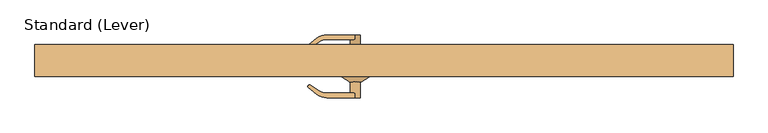
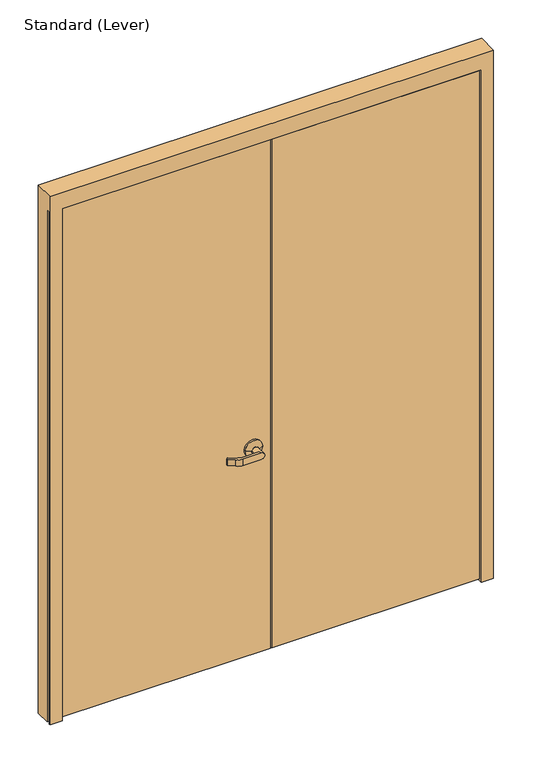
"""IFC4 building model written with IfcOpenShell, lengths in millimetres: door geometry, Standard (Lever)."""

from ifc_helpers import new_model, si_unit, frame, origin, place, context, project, spatial, polyline, circle_curve, outline, extrude, faceted_brep, source, transform, mapped, element, save
from ifc_brep_helpers import plane_surface, cylinder_surface, revolved_surface, advanced_brep


def standard_lever_29b585a3(model_context):
    return source(origin(), model_context, "Body", "SolidModel", [
        advanced_brep(
        [(-41.275, -38.1, 965.2), (-117.475, -38.1, 965.2), (-41.275, -46.0375, 965.2), (-117.475, -46.0375, 965.2), (-65.0875, -103.1875, 965.2), (-79.375, -103.1875, 979.4875), (-158.1249604, -103.1875, 979.4875), (-158.1249604, -103.1875, 950.9125), (-79.375, -103.1875, 950.9125), (-79.375, -90.4875, 950.9125), (-93.6625, -90.4875, 965.2), (-93.6625, -58.7375, 965.2), (-65.0875, -58.7375, 965.2), (-79.375, -90.4875, 979.4875), (-63.5, -58.7375, 965.2), (-95.25, -58.7375, 965.2), (-154.782228, -90.4875, 979.4875), (-182.449891, -82.2919649, 979.4875), (-204.9036767, -67.7103059, 979.4875), (-208.2664383, -68.0637464, 979.4875), (-210.2832882, -70.0805963, 979.4875), (-210.0371866, -74.3305182, 979.4875), (-185.7177761, -93.5863023, 979.4875), (-154.782228, -90.4875, 950.9125), (-185.7177761, -93.5863023, 950.9125), (-210.0371866, -74.3305182, 950.9125), (-210.2832882, -70.0805963, 950.9125), (-208.2664383, -68.0637464, 950.9125), (-204.9036767, -67.7103059, 950.9125), (-182.449891, -82.2919649, 950.9125)],
        [
            (0, 1, circle_curve(frame((-79.375, -38.1, 965.2), z_axis=(0.0, 1.0, 0.0), x_axis=(-1.0, 0.0, 0.0)), 38.1)),
            (1, 0, circle_curve(frame((-79.375, -38.1, 965.2), z_axis=(0.0, 1.0, 0.0), x_axis=(-1.0, 0.0, 0.0)), 38.1)),
            (0, 2),
            (2, 3, circle_curve(frame((-79.375, -46.0375, 965.2), z_axis=(0.0, 1.0, 0.0), x_axis=(-1.0, 0.0, 0.0)), 38.1)),
            (3, 1),
            (3, 2, circle_curve(frame((-79.375, -46.0375, 965.2), z_axis=(0.0, 1.0, 0.0), x_axis=(-1.0, 0.0, 0.0)), 38.1)),
            (4, 5, circle_curve(frame((-79.375, -103.1875, 965.2), z_axis=(0.0, -1.0, 0.0), x_axis=(-1.0, 0.0, 0.0)), 14.2875)),
            (5, 6),
            (6, 7),
            (7, 8),
            (8, 4, circle_curve(frame((-79.375, -103.1875, 965.2), z_axis=(0.0, -1.0, 0.0), x_axis=(-1.0, 0.0, 0.0)), 14.2875)),
            (8, 9),
            (9, 10, circle_curve(frame((-79.375, -90.4875, 965.2), z_axis=(0.0, 1.0, 0.0), x_axis=(-1.0, 0.0, 0.0)), 14.2875)),
            (10, 11),
            (11, 12, circle_curve(frame((-79.375, -58.7375, 965.2), z_axis=(0.0, -1.0, 0.0), x_axis=(-1.0, 0.0, 0.0)), 14.2875)),
            (12, 4),
            (12, 11, circle_curve(frame((-79.375, -58.7375, 965.2), z_axis=(0.0, -1.0, 0.0), x_axis=(-1.0, 0.0, 0.0)), 14.2875)),
            (10, 13, circle_curve(frame((-79.375, -90.4875, 965.2), z_axis=(0.0, 1.0, 0.0), x_axis=(-1.0, 0.0, 0.0)), 14.2875)),
            (13, 5),
            (14, 15, circle_curve(frame((-79.375, -58.7375, 965.2), z_axis=(0.0, -1.0, 0.0), x_axis=(-1.0, 0.0, 0.0)), 15.875)),
            (15, 14, circle_curve(frame((-79.375, -58.7375, 965.2), z_axis=(0.0, -1.0, 0.0), x_axis=(1.0, 0.0, 0.0)), 15.875)),
            (15, 3),
            (2, 14),
            (16, 17, circle_curve(frame((-154.782228, -39.6875, 979.4875), z_axis=(0.0, 0.0, -1.0), x_axis=(-1.0, 0.0, 0.0)), 50.8)),
            (17, 18),
            (18, 19, circle_curve(frame((-206.3668262, -69.9633585, 979.4875), z_axis=(0.0, 0.0, 1.0), x_axis=(-1.0, 0.0, 0.0)), 2.6864572)),
            (19, 20),
            (20, 21, circle_curve(frame((-208.2679071, -72.0959775, 979.4875), z_axis=(0.0, 0.0, 1.0), x_axis=(-1.0, 0.0, 0.0)), 2.8501794)),
            (21, 22),
            (22, 6, circle_curve(frame((-158.1249604, -58.7375, 979.4875), z_axis=(0.0, 0.0, 1.0), x_axis=(-1.0, 0.0, 0.0)), 44.45)),
            (13, 16),
            (23, 9),
            (7, 24, circle_curve(frame((-158.1249604, -58.7375, 950.9125), z_axis=(0.0, 0.0, -1.0), x_axis=(-1.0, 0.0, 0.0)), 44.45)),
            (24, 25),
            (25, 26, circle_curve(frame((-208.2679071, -72.0959775, 950.9125), z_axis=(0.0, 0.0, -1.0), x_axis=(-1.0, 0.0, 0.0)), 2.8501794)),
            (26, 27),
            (27, 28, circle_curve(frame((-206.3668262, -69.9633585, 950.9125), z_axis=(0.0, 0.0, -1.0), x_axis=(-1.0, 0.0, 0.0)), 2.6864572)),
            (28, 29),
            (29, 23, circle_curve(frame((-154.782228, -39.6875, 950.9125), z_axis=(0.0, 0.0, 1.0), x_axis=(-1.0, 0.0, 0.0)), 50.8)),
            (23, 16),
            (22, 24),
            (21, 25),
            (20, 26),
            (19, 27),
            (18, 28),
            (17, 29),
        ],
        [
            plane_surface(frame((-117.475, -38.1, 965.2), z_axis=(0.0, 1.0, 0.0), x_axis=(0.0, 0.0, -1.0))),
            cylinder_surface(frame((-79.375, -38.1, 965.2), z_axis=(0.0, -1.0, 0.0), x_axis=(-1.0, 0.0, 0.0)), 38.1),
            plane_surface(frame((-93.6625, -103.1875, 965.2), z_axis=(0.0, -1.0, 0.0), x_axis=(0.0, 0.0, 1.0))),
            cylinder_surface(frame((-79.375, -46.0375, 965.2), z_axis=(0.0, -1.0, 0.0), x_axis=(-1.0, 0.0, 0.0)), 14.2875),
            plane_surface(frame((-79.375, -58.7375, 965.2), z_axis=(0.0, -1.0, 0.0), x_axis=(0.0, 0.0, -1.0))),
            revolved_surface(polyline([(-95.25000002916667, -58.7375, 965.2), (-117.475, -46.0375, 965.2)]), (-79.375, -67.8089286, 965.2), (0.0, 1.0, 0.0)),
            revolved_surface(polyline([(-63.49999997083333, -58.7375, 965.2), (-41.275, -46.0375, 965.2)]), (-79.375, -67.8089286, 965.2), (0.0, 1.0, 0.0)),
            plane_surface(frame((-79.375, -90.4875, 979.4875), z_axis=(0.0, 0.0, 1.0), x_axis=(1.0, 0.0, 0.0))),
            plane_surface(frame((-79.375, -90.4875, 950.9125), z_axis=(0.0, 0.0, -1.0), x_axis=(-1.0, 0.0, 0.0))),
            plane_surface(frame((-154.782228, -90.4875, 979.4875), z_axis=(0.0, 1.0, 0.0), x_axis=(0.0, 0.0, -1.0))),
            cylinder_surface(frame((-158.1249604, -58.7375, 950.9125), z_axis=(0.0, 0.0, 1.0), x_axis=(-1.0, 0.0, 0.0)), 44.45),
            plane_surface(frame((-185.7177761, -93.5863023, 979.4875), z_axis=(-0.6207607591148713, -0.7840000509841367, 0.0), x_axis=(0.0, 0.0, -1.0))),
            cylinder_surface(frame((-208.2679071, -72.0959775, 950.9125), z_axis=(0.0, 0.0, 1.0), x_axis=(-1.0, 0.0, 0.0)), 2.8501794),
            plane_surface(frame((-210.2832882, -70.0805963, 979.4875), z_axis=(-0.7071067811865505, 0.7071067811865446, 0.0), x_axis=(0.0, 0.0, -1.0))),
            cylinder_surface(frame((-206.3668262, -69.9633585, 950.9125), z_axis=(0.0, 0.0, 1.0), x_axis=(-1.0, 0.0, 0.0)), 2.6864572),
            plane_surface(frame((-204.9036767, -67.7103059, 979.4875), z_axis=(0.544639035015027, 0.838670567945424, 0.0), x_axis=(0.0, 0.0, -1.0))),
            revolved_surface(polyline([(-205.582228, -39.6875, 950.9125), (-205.582228, -39.6875, 979.4875)]), (-154.782228, -39.6875, 950.9125), (0.0, 0.0, -1.0)),
        ],
        [
            (0, [[1, 2]]),
            (1, [[3, 4, 5, -1]]),
            (1, [[-5, 6, -3, -2]]),
            (2, [[7, 8, 9, 10, 11]]),
            (3, [[-11, 12, 13, 14, 15, 16]]),
            (3, [[17, -14, 18, 19, -7, -16]]),
            (4, [[20, 21], [-17, -15]]),
            (5, [[22, -4, 23, -21]]),
            (6, [[-23, -6, -22, -20]]),
            (7, [[24, 25, 26, 27, 28, 29, 30, -8, -19, 31]]),
            (8, [[32, -12, -10, 33, 34, 35, 36, 37, 38, 39]]),
            (9, [[-18, -13, -32, 40, -31]]),
            (10, [[41, -33, -9, -30]]),
            (11, [[42, -34, -41, -29]]),
            (12, [[43, -35, -42, -28]]),
            (13, [[44, -36, -43, -27]]),
            (14, [[45, -37, -44, -26]]),
            (15, [[46, -38, -45, -25]]),
            (16, [[-40, -39, -46, -24]]),
        ],
    ),
        advanced_brep(
        [(-41.275, 6.35, 965.2), (-117.475, 6.35, 965.2), (-117.475, 14.2875, 965.2), (-41.275, 14.2875, 965.2), (-65.0875, 71.4375, 965.2), (-79.375, 71.4375, 950.9125), (-158.1249604, 71.4375, 950.9125), (-158.1249604, 71.4375, 979.4875), (-79.375, 71.4375, 979.4875), (-65.0875, 26.9875, 965.2), (-93.6625, 26.9875, 965.2), (-93.6625, 58.7375, 965.2), (-79.375, 58.7375, 950.9125), (-79.375, 58.7375, 979.4875), (-63.5, 26.9875, 965.2), (-95.25, 26.9875, 965.2), (-154.782228, 58.7375, 979.4875), (-185.7177761, 61.8363023, 979.4875), (-210.0371866, 42.5805182, 979.4875), (-210.2832882, 38.3305963, 979.4875), (-208.2664383, 36.3137464, 979.4875), (-204.9036767, 35.9603059, 979.4875), (-182.449891, 50.5419649, 979.4875), (-154.782228, 58.7375, 950.9125), (-182.449891, 50.5419649, 950.9125), (-204.9036767, 35.9603059, 950.9125), (-208.2664383, 36.3137464, 950.9125), (-210.2832882, 38.3305963, 950.9125), (-210.0371866, 42.5805182, 950.9125), (-185.7177761, 61.8363023, 950.9125)],
        [
            (0, 1, circle_curve(frame((-79.375, 6.35, 965.2), z_axis=(0.0, -1.0, 0.0), x_axis=(-1.0, 0.0, 0.0)), 38.1)),
            (1, 0, circle_curve(frame((-79.375, 6.35, 965.2), z_axis=(0.0, -1.0, 0.0), x_axis=(-1.0, 0.0, 0.0)), 38.1)),
            (1, 2),
            (2, 3, circle_curve(frame((-79.375, 14.2875, 965.2), z_axis=(0.0, -1.0, 0.0), x_axis=(-1.0, 0.0, 0.0)), 38.1)),
            (3, 0),
            (3, 2, circle_curve(frame((-79.375, 14.2875, 965.2), z_axis=(0.0, -1.0, 0.0), x_axis=(-1.0, 0.0, 0.0)), 38.1)),
            (4, 5, circle_curve(frame((-79.375, 71.4375, 965.2), z_axis=(0.0, 1.0, 0.0), x_axis=(-1.0, 0.0, 0.0)), 14.2875)),
            (5, 6),
            (6, 7),
            (7, 8),
            (8, 4, circle_curve(frame((-79.375, 71.4375, 965.2), z_axis=(0.0, 1.0, 0.0), x_axis=(-1.0, 0.0, 0.0)), 14.2875)),
            (4, 9),
            (9, 10, circle_curve(frame((-79.375, 26.9875, 965.2), z_axis=(0.0, 1.0, 0.0), x_axis=(-1.0, 0.0, 0.0)), 14.2875)),
            (10, 11),
            (11, 12, circle_curve(frame((-79.375, 58.7375, 965.2), z_axis=(0.0, -1.0, 0.0), x_axis=(-1.0, 0.0, 0.0)), 14.2875)),
            (12, 5),
            (8, 13),
            (13, 11, circle_curve(frame((-79.375, 58.7375, 965.2), z_axis=(0.0, -1.0, 0.0), x_axis=(-1.0, 0.0, 0.0)), 14.2875)),
            (10, 9, circle_curve(frame((-79.375, 26.9875, 965.2), z_axis=(0.0, 1.0, 0.0), x_axis=(-1.0, 0.0, 0.0)), 14.2875)),
            (14, 15, circle_curve(frame((-79.375, 26.9875, 965.2), z_axis=(0.0, 1.0, 0.0), x_axis=(1.0, 0.0, 0.0)), 15.875)),
            (15, 14, circle_curve(frame((-79.375, 26.9875, 965.2), z_axis=(0.0, 1.0, 0.0), x_axis=(-1.0, 0.0, 0.0)), 15.875)),
            (14, 3),
            (2, 15),
            (16, 13),
            (7, 17, circle_curve(frame((-158.1249604, 26.9875, 979.4875), z_axis=(0.0, 0.0, 1.0), x_axis=(-1.0, 0.0, 0.0)), 44.45)),
            (17, 18),
            (18, 19, circle_curve(frame((-208.2679071, 40.3459775, 979.4875), z_axis=(0.0, 0.0, 1.0), x_axis=(-1.0, 0.0, 0.0)), 2.8501794)),
            (19, 20),
            (20, 21, circle_curve(frame((-206.3668262, 38.2133585, 979.4875), z_axis=(0.0, 0.0, 1.0), x_axis=(-1.0, 0.0, 0.0)), 2.6864572)),
            (21, 22),
            (22, 16, circle_curve(frame((-154.782228, 7.9375, 979.4875), z_axis=(0.0, 0.0, -1.0), x_axis=(-1.0, 0.0, 0.0)), 50.8)),
            (23, 24, circle_curve(frame((-154.782228, 7.9375, 950.9125), z_axis=(0.0, 0.0, 1.0), x_axis=(-1.0, 0.0, 0.0)), 50.8)),
            (24, 25),
            (25, 26, circle_curve(frame((-206.3668262, 38.2133585, 950.9125), z_axis=(0.0, 0.0, -1.0), x_axis=(-1.0, 0.0, 0.0)), 2.6864572)),
            (26, 27),
            (27, 28, circle_curve(frame((-208.2679071, 40.3459775, 950.9125), z_axis=(0.0, 0.0, -1.0), x_axis=(-1.0, 0.0, 0.0)), 2.8501794)),
            (28, 29),
            (29, 6, circle_curve(frame((-158.1249604, 26.9875, 950.9125), z_axis=(0.0, 0.0, -1.0), x_axis=(-1.0, 0.0, 0.0)), 44.45)),
            (12, 23),
            (16, 23),
            (29, 17),
            (28, 18),
            (27, 19),
            (26, 20),
            (25, 21),
            (24, 22),
        ],
        [
            plane_surface(frame((-117.475, 6.35, 965.2), z_axis=(0.0, -1.0, 0.0), x_axis=(0.0, 0.0, -1.0))),
            cylinder_surface(frame((-79.375, 6.35, 965.2), z_axis=(0.0, 1.0, 0.0), x_axis=(-1.0, 0.0, 0.0)), 38.1),
            plane_surface(frame((-93.6625, 71.4375, 965.2), z_axis=(0.0, 1.0, 0.0), x_axis=(0.0, 0.0, 1.0))),
            cylinder_surface(frame((-79.375, 14.2875, 965.2), z_axis=(0.0, 1.0, 0.0), x_axis=(-1.0, 0.0, 0.0)), 14.2875),
            plane_surface(frame((-79.375, 26.9875, 965.2), z_axis=(0.0, 1.0, 0.0), x_axis=(0.0, 0.0, -1.0))),
            revolved_surface(polyline([(-63.49999997083333, 26.9875, 965.2), (-41.275, 14.287500000000001, 965.2)]), (-79.375, 36.0589286, 965.2), (0.0, -1.0, 0.0)),
            revolved_surface(polyline([(-95.25000002916667, 26.9875, 965.2), (-117.475, 14.287500000000001, 965.2)]), (-79.375, 36.0589286, 965.2), (0.0, -1.0, 0.0)),
            plane_surface(frame((-79.375, 58.7375, 979.4875), z_axis=(0.0, 0.0, 1.0), x_axis=(1.0, 0.0, 0.0))),
            plane_surface(frame((-79.375, 58.7375, 950.9125), z_axis=(0.0, 0.0, -1.0), x_axis=(-1.0, 0.0, 0.0))),
            plane_surface(frame((-154.782228, 58.7375, 979.4875), z_axis=(0.0, -1.0, 0.0), x_axis=(0.0, 0.0, -1.0))),
            cylinder_surface(frame((-158.1249604, 26.9875, 950.9125), z_axis=(0.0, 0.0, 1.0), x_axis=(-1.0, 0.0, 0.0)), 44.45),
            plane_surface(frame((-185.7177761, 61.8363023, 979.4875), z_axis=(-0.6207607591148713, 0.7840000509841367, 0.0), x_axis=(0.0, 0.0, -1.0))),
            cylinder_surface(frame((-208.2679071, 40.3459775, 950.9125), z_axis=(0.0, 0.0, 1.0), x_axis=(-1.0, 0.0, 0.0)), 2.8501794),
            plane_surface(frame((-210.2832882, 38.3305963, 979.4875), z_axis=(-0.7071067811865505, -0.7071067811865446, 0.0), x_axis=(0.0, 0.0, -1.0))),
            cylinder_surface(frame((-206.3668262, 38.2133585, 950.9125), z_axis=(0.0, 0.0, 1.0), x_axis=(-1.0, 0.0, 0.0)), 2.6864572),
            plane_surface(frame((-204.9036767, 35.9603059, 979.4875), z_axis=(0.544639035015027, -0.838670567945424, 0.0), x_axis=(0.0, 0.0, -1.0))),
            revolved_surface(polyline([(-205.582228, 7.9375, 950.9125), (-205.582228, 7.9375, 979.4875)]), (-154.782228, 7.9375, 950.9125), (0.0, 0.0, -1.0)),
        ],
        [
            (0, [[1, 2]]),
            (1, [[-2, 3, 4, 5]]),
            (1, [[-1, -5, 6, -3]]),
            (2, [[7, 8, 9, 10, 11]]),
            (3, [[12, 13, 14, 15, 16, -7]]),
            (3, [[-12, -11, 17, 18, -14, 19]]),
            (4, [[20, 21], [-13, -19]]),
            (5, [[-20, 22, -4, 23]]),
            (6, [[-21, -23, -6, -22]]),
            (7, [[24, -17, -10, 25, 26, 27, 28, 29, 30, 31]]),
            (8, [[32, 33, 34, 35, 36, 37, 38, -8, -16, 39]]),
            (9, [[-24, 40, -39, -15, -18]]),
            (10, [[-25, -9, -38, 41]]),
            (11, [[-26, -41, -37, 42]]),
            (12, [[-27, -42, -36, 43]]),
            (13, [[-28, -43, -35, 44]]),
            (14, [[-29, -44, -34, 45]]),
            (15, [[-30, -45, -33, 46]]),
            (16, [[-31, -46, -32, -40]]),
        ],
    ),
        extrude(outline(polyline([(909.6374977, -38.1), (3.175, -38.1), (3.175, 6.35), (909.6374977, 6.35), (909.6374977, -38.1)])), frame((0.0, 0.0, 12.7), z_axis=(0.0, 0.0, 1.0), x_axis=(1.0, 0.0, 0.0)), (0.0, 0.0, 1.0), 2347.9125),
        extrude(outline(polyline([(-3.175, -38.1), (-909.6374977, -38.1), (-909.6374977, 6.35), (-3.175, 6.35), (-3.175, -38.1)])), frame((0.0, 0.0, 12.7), z_axis=(0.0, 0.0, 1.0), x_axis=(1.0, 0.0, 0.0)), (0.0, 0.0, 1.0), 2347.9125),
        faceted_brep([(914.3999977, 44.45, 0.0), (966.7875, 44.45, 0.0), (966.7875, -21.749999, 0.0), (960.3132562, -21.749999, 0.0), (959.3132405, -20.7499834, 0.0), (960.8875134, -20.7499834, 0.0), (960.8875134, -18.949936, 0.0), (955.8875186, -18.949936, 0.0), (955.8875186, -20.7499834, 0.0), (957.461756, -20.7499834, 0.0), (956.4617434, -21.7499959, 0.0), (935.0375, -21.7499959, 0.0), (935.0375, -38.1499966, 0.0), (956.4617503, -38.1499966, 0.0), (957.461756, -39.1500023, 0.0), (955.8874831, -39.1500023, 0.0), (955.8874831, -40.9498819, 0.0), (960.8874778, -40.9498819, 0.0), (960.8874778, -39.1500023, 0.0), (959.3132405, -39.1500023, 0.0), (960.3132531, -38.1499897, 0.0), (966.7874977, -38.1499897, 0.0), (966.7874977, -44.45, 0.0), (914.3999977, -44.45, 0.0), (914.3999977, 9.525, 0.0), (900.1124977, 9.525, 0.0), (900.1124977, 20.6375, 0.0), (914.3999977, 20.6375, 0.0), (966.7875, -38.1499897, 2365.375), (966.7875, -21.749999, 2365.375), (966.7875, 44.45, 2438.4), (966.7875, -44.45, 2438.4), (-966.7874977, -44.45, 0.0), (-914.3999977, -44.45, 0.0), (-914.3999977, -44.45, 2365.375), (914.3999977, -44.45, 2365.375), (-966.7875, -44.45, 2438.4), (-966.7875, 44.45, 2438.4), (914.3999977, 44.45, 2365.375), (-914.3999977, 44.45, 2365.375), (-914.3999977, 44.45, 0.0), (-966.7875, 44.45, 0.0), (960.3132562, -21.749999, 2365.375), (960.3132531, -38.1499897, 2365.375), (-914.3999977, 20.6375, 0.0), (-900.1124977, 20.6375, 0.0), (-900.1124977, 9.525, 0.0), (-914.3999977, 9.525, 0.0), (-966.7874977, -38.1499897, 0.0), (-960.3132531, -38.1499897, 0.0), (-959.3132405, -39.1500023, 0.0), (-960.8874778, -39.1500023, 0.0), (-960.8874778, -40.9498819, 0.0), (-955.8874831, -40.9498819, 0.0), (-955.8874831, -39.1500023, 0.0), (-957.461756, -39.1500023, 0.0), (-956.4617503, -38.1499966, 0.0), (-935.0375, -38.1499966, 0.0), (-935.0375, -21.7499959, 0.0), (-956.4617434, -21.7499959, 0.0), (-957.461756, -20.7499834, 0.0), (-955.8875186, -20.7499834, 0.0), (-955.8875186, -18.949936, 0.0), (-960.8875134, -18.949936, 0.0), (-960.8875134, -20.7499834, 0.0), (-959.3132405, -20.7499834, 0.0), (-960.3132562, -21.749999, 0.0), (-966.7875, -21.749999, 0.0), (-966.7875, -21.749999, 2365.375), (-966.7875, -38.1499897, 2365.375), (-960.3132531, -38.1499897, 2365.375), (-960.3132562, -21.749999, 2365.375), (-914.3999977, 20.6375, 2365.375), (914.3999977, 20.6375, 2365.375), (914.3999977, 9.525, 2365.375), (-914.3999977, 9.525, 2365.375), (900.1124977, 20.6375, 2351.0875), (-900.1124977, 20.6375, 2351.0875), (-900.1124977, 9.525, 2351.0875), (900.1124977, 9.525, 2351.0875), (959.3132405, -39.1500023, 2365.375), (960.8874778, -39.1500023, 2365.375), (960.8874778, -40.9498819, 2365.375), (955.8874831, -40.9498819, 2365.375), (955.8874831, -39.1500023, 2365.375), (957.461756, -39.1500023, 2365.375), (956.4617503, -38.1499966, 2365.375), (935.0375, -38.1499966, 2365.375), (935.0375, -21.7499959, 2365.375), (956.4617434, -21.7499959, 2365.375), (957.461756, -20.7499834, 2365.375), (955.8875186, -20.7499834, 2365.375), (955.8875186, -18.949936, 2365.375), (960.8875134, -18.949936, 2365.375), (960.8875134, -20.7499834, 2365.375), (959.3132405, -20.7499834, 2365.375), (-959.3132405, -20.7499834, 2365.375), (-960.8875134, -20.7499834, 2365.375), (-960.8875134, -18.949936, 2365.375), (-955.8875186, -18.949936, 2365.375), (-955.8875186, -20.7499834, 2365.375), (-957.461756, -20.7499834, 2365.375), (-956.4617434, -21.7499959, 2365.375), (-935.0375, -21.7499959, 2365.375), (-935.0375, -38.1499966, 2365.375), (-956.4617503, -38.1499966, 2365.375), (-957.461756, -39.1500023, 2365.375), (-955.8874831, -39.1500023, 2365.375), (-955.8874831, -40.9498819, 2365.375), (-960.8874778, -40.9498819, 2365.375), (-960.8874778, -39.1500023, 2365.375), (-959.3132405, -39.1500023, 2365.375)], [[[0, 1, 2, 3, 4, 5, 6, 7, 8, 9, 10, 11, 12, 13, 14, 15, 16, 17, 18, 19, 20, 21, 22, 23, 24, 25, 26, 27]], [[21, 28, 29, 2, 1, 30, 31, 22]], [[32, 33, 34, 35, 23, 22, 31, 36]], [[37, 30, 1, 0, 38, 39, 40, 41]], [[2, 29, 42, 3]], [[20, 43, 28, 21]], [[40, 44, 45, 46, 47, 33, 32, 48, 49, 50, 51, 52, 53, 54, 55, 56, 57, 58, 59, 60, 61, 62, 63, 64, 65, 66, 67, 41]], [[32, 36, 37, 41, 67, 68, 69, 48]], [[48, 69, 70, 49]], [[66, 71, 68, 67]], [[40, 39, 72, 44]], [[27, 73, 38, 0]], [[23, 35, 74, 24]], [[75, 34, 33, 47]], [[26, 76, 77, 45, 44, 72, 73, 27]], [[45, 77, 78, 46]], [[25, 79, 76, 26]], [[24, 74, 75, 47, 46, 78, 79, 25]], [[19, 80, 43, 20]], [[18, 81, 80, 19]], [[17, 82, 81, 18]], [[16, 83, 82, 17]], [[15, 84, 83, 16]], [[14, 85, 84, 15]], [[13, 86, 85, 14]], [[12, 87, 86, 13]], [[11, 88, 87, 12]], [[10, 89, 88, 11]], [[9, 90, 89, 10]], [[8, 91, 90, 9]], [[7, 92, 91, 8]], [[6, 93, 92, 7]], [[5, 94, 93, 6]], [[4, 95, 94, 5]], [[3, 42, 95, 4]], [[65, 96, 71, 66]], [[64, 97, 96, 65]], [[63, 98, 97, 64]], [[62, 99, 98, 63]], [[61, 100, 99, 62]], [[60, 101, 100, 61]], [[59, 102, 101, 60]], [[58, 103, 102, 59]], [[57, 104, 103, 58]], [[56, 105, 104, 57]], [[55, 106, 105, 56]], [[54, 107, 106, 55]], [[53, 108, 107, 54]], [[52, 109, 108, 53]], [[51, 110, 109, 52]], [[50, 111, 110, 51]], [[49, 70, 111, 50]], [[37, 36, 31, 30]], [[35, 34, 75, 74]], [[28, 43, 80, 81, 82, 83, 84, 85, 86, 87, 88, 89, 90, 91, 92, 93, 94, 95, 42, 29]], [[68, 71, 96, 97, 98, 99, 100, 101, 102, 103, 104, 105, 106, 107, 108, 109, 110, 111, 70, 69]], [[72, 39, 38, 73]], [[79, 78, 77, 76]]]),
    ])


if __name__ == "__main__":
    model = new_model("IFC4")
    model_context = context("Model", 3, world=origin())
    ifc_project = project(units=[si_unit("LENGTHUNIT", "METRE", prefix="MILLI")], contexts=[model_context])
    site = spatial("IfcSite", under=ifc_project)
    building = spatial("IfcBuilding", under=site)
    placement = place(None, origin())
    standard_lever_shape = standard_lever_29b585a3(model_context)
    element("IfcDoor", 1, ObjectType="Standard (Lever)", at=placement, inside=building, context=model_context, shape_type="MappedRepresentation", body=[
        mapped(standard_lever_shape, transform((0.0, 0.0, 0.0), x_axis=(1.0, 0.0, 0.0), y_axis=(0.0, 1.0, 0.0), z_axis=(0.0, 0.0, 1.0))),
    ])
    save(model, "model.ifc")
